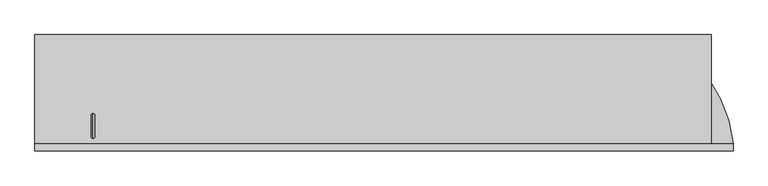
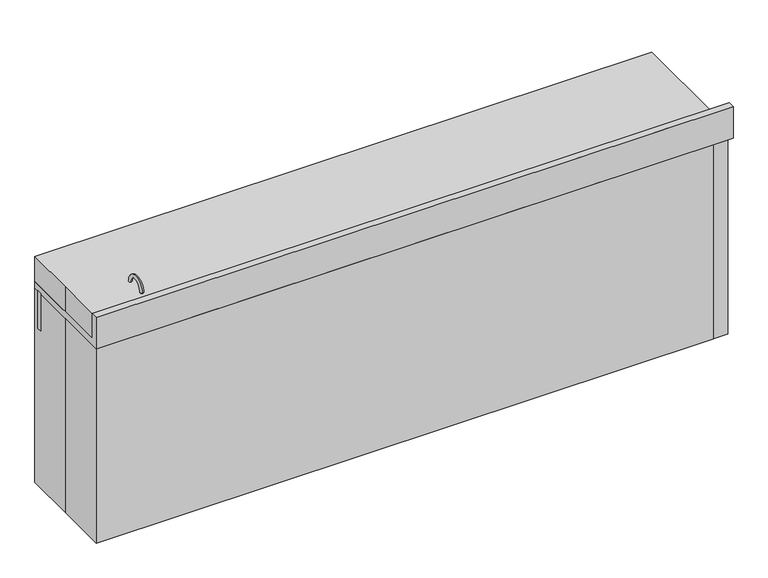
"""IFC4 building model written with IfcOpenShell, lengths in millimetres: proxy geometry."""

from ifc_helpers import new_model, si_unit, point, frame, frame_2d, origin, origin_with_axes, place, context, project, spatial, polyline, circle_curve, ellipse_curve, trimmed, segment, composite_curve, outline, extrude, source, transform, mapped, element, save
from ifc_brep_helpers import plane_surface, cylinder_surface, revolved_surface, advanced_brep


def specialty_equipment_bc5c30ac(model_context):
    return source(origin(), model_context, "Body", "SolidModel", [
        advanced_brep(
        [(-1014.0443585, 165.0080446, 787.3899582), (-1014.0443585, 153.8955446, 787.3899582), (-1014.0443585, -128.6794554, 787.3899582), (-1014.0443585, -139.7919554, 787.3899582), (-1014.0443585, 152.3080446, 785.8024582), (-1014.0443585, -127.0919554, 785.8024582), (-1014.0443585, 152.3080446, 730.25), (-1014.0443585, -127.0919554, 730.25), (-1014.0443585, 101.5080446, 679.45), (-1014.0443585, 25.2053012, 679.45), (-1003.5461263, 12.6976148, 679.45), (-1014.0443585, 0.1899284, 679.45), (-1014.0443585, -76.2919554, 679.45), (-1028.9461263, 12.6976148, 679.45), (-1014.0443585, 158.6580446, 676.275), (-1014.0443585, 158.6580446, 784.0168572), (-1014.0443585, -133.4419554, 784.0168572), (-1014.0443585, -133.4419554, 676.275), (-1014.0443585, 165.0080446, 784.0168572), (-1014.0443585, -139.7919554, 784.0168572), (-1014.0443585, 0.1899284, 676.275), (-1003.5461263, 12.6976148, 676.275), (-1014.0443585, 25.2053012, 676.275), (-1028.9461263, 12.6976148, 676.275)],
        [
            (0, 1),
            (1, 2, circle_curve(frame((-1014.0443585, 12.6080446, 787.3899582), z_axis=(0.0, 0.0, -1.0), x_axis=(0.0, -1.0, 0.0)), 141.2875)),
            (2, 3),
            (3, 0, circle_curve(frame((-1014.0443585, 12.6080446, 787.3899582), z_axis=(0.0, 0.0, 1.0), x_axis=(0.0, -1.0, 0.0)), 152.4)),
            (2, 1, circle_curve(frame((-1014.0443585, 12.6080446, 787.3899582), z_axis=(0.0, 0.0, -1.0), x_axis=(0.0, -1.0, 0.0)), 141.2875)),
            (0, 3, circle_curve(frame((-1014.0443585, 12.6080446, 787.3899582), z_axis=(0.0, 0.0, 1.0), x_axis=(0.0, -1.0, 0.0)), 152.4)),
            (1, 4, circle_curve(frame((-1014.0443585, 153.8955446, 785.8024582), z_axis=(1.0, 0.0, 0.0), x_axis=(0.0, 1.0, 0.0)), 1.5875)),
            (4, 5, circle_curve(frame((-1014.0443585, 12.6080446, 785.8024582), z_axis=(0.0, 0.0, -1.0), x_axis=(0.0, -1.0, 0.0)), 139.7)),
            (5, 2, circle_curve(frame((-1014.0443585, -128.6794554, 785.8024582), z_axis=(1.0, 0.0, 0.0), x_axis=(0.0, -1.0, 0.0)), 1.5875)),
            (5, 4, circle_curve(frame((-1014.0443585, 12.6080446, 785.8024582), z_axis=(0.0, 0.0, -1.0), x_axis=(0.0, -1.0, 0.0)), 139.7)),
            (4, 6),
            (6, 7, circle_curve(frame((-1014.0443585, 12.6080446, 730.25), z_axis=(0.0, 0.0, -1.0), x_axis=(0.0, -1.0, 0.0)), 139.7)),
            (7, 5),
            (7, 6, circle_curve(frame((-1014.0443585, 12.6080446, 730.25), z_axis=(0.0, 0.0, -1.0), x_axis=(0.0, -1.0, 0.0)), 139.7)),
            (8, 9),
            (9, 10, circle_curve(frame((-1016.2461263, 12.6976148, 679.45), z_axis=(0.0, 0.0, -1.0), x_axis=(-1.0, 0.0, 0.0)), 12.7)),
            (10, 11, circle_curve(frame((-1016.2461263, 12.6976148, 679.45), z_axis=(0.0, 0.0, -1.0), x_axis=(-1.0, 0.0, 0.0)), 12.7)),
            (11, 12),
            (12, 8, circle_curve(frame((-1014.0443585, 12.6080446, 679.45), z_axis=(0.0, 0.0, 1.0), x_axis=(0.0, -1.0, 0.0)), 88.9)),
            (11, 13, circle_curve(frame((-1016.2461263, 12.6976148, 679.45), z_axis=(0.0, 0.0, -1.0), x_axis=(-1.0, 0.0, 0.0)), 12.7)),
            (13, 9, circle_curve(frame((-1016.2461263, 12.6976148, 679.45), z_axis=(0.0, 0.0, -1.0), x_axis=(-1.0, 0.0, 0.0)), 12.7)),
            (8, 12, circle_curve(frame((-1014.0443585, 12.6080446, 679.45), z_axis=(0.0, 0.0, 1.0), x_axis=(0.0, -1.0, 0.0)), 88.9)),
            (14, 15),
            (15, 16, circle_curve(frame((-1014.0443585, 12.6080446, 784.0168572), z_axis=(0.0, 0.0, -1.0), x_axis=(0.0, -1.0, 0.0)), 146.05)),
            (16, 17),
            (17, 14, circle_curve(frame((-1014.0443585, 12.6080446, 676.275), z_axis=(0.0, 0.0, 1.0), x_axis=(0.0, -1.0, 0.0)), 146.05)),
            (16, 15, circle_curve(frame((-1014.0443585, 12.6080446, 784.0168572), z_axis=(0.0, 0.0, -1.0), x_axis=(0.0, -1.0, 0.0)), 146.05)),
            (14, 17, circle_curve(frame((-1014.0443585, 12.6080446, 676.275), z_axis=(0.0, 0.0, 1.0), x_axis=(0.0, -1.0, 0.0)), 146.05)),
            (15, 18),
            (18, 19, circle_curve(frame((-1014.0443585, 12.6080446, 784.0168572), z_axis=(0.0, 0.0, -1.0), x_axis=(0.0, -1.0, 0.0)), 152.4)),
            (19, 16),
            (19, 18, circle_curve(frame((-1014.0443585, 12.6080446, 784.0168572), z_axis=(0.0, 0.0, -1.0), x_axis=(0.0, -1.0, 0.0)), 152.4)),
            (3, 19),
            (18, 0),
            (17, 20),
            (20, 21, circle_curve(frame((-1016.2461263, 12.6976148, 676.275), z_axis=(0.0, 0.0, 1.0), x_axis=(-1.0, 0.0, 0.0)), 12.7)),
            (21, 22, circle_curve(frame((-1016.2461263, 12.6976148, 676.275), z_axis=(0.0, 0.0, 1.0), x_axis=(-1.0, 0.0, 0.0)), 12.7)),
            (22, 14),
            (22, 23, circle_curve(frame((-1016.2461263, 12.6976148, 676.275), z_axis=(0.0, 0.0, 1.0), x_axis=(-1.0, 0.0, 0.0)), 12.7)),
            (23, 20, circle_curve(frame((-1016.2461263, 12.6976148, 676.275), z_axis=(0.0, 0.0, 1.0), x_axis=(-1.0, 0.0, 0.0)), 12.7)),
            (6, 8, circle_curve(frame((-1014.0443585, 101.5080446, 730.25), z_axis=(-1.0, 0.0, 0.0), x_axis=(0.0, 1.0, 0.0)), 50.8)),
            (12, 7, circle_curve(frame((-1014.0443585, -76.2919554, 730.25), z_axis=(-1.0, 0.0, 0.0), x_axis=(0.0, -1.0, 0.0)), 50.8)),
            (21, 10),
            (13, 23),
        ],
        [
            plane_surface(frame((-1014.0443585, 12.6080446, 787.3899582), z_axis=(0.0, 0.0, 1.0), x_axis=(0.0, -1.0, 0.0))),
            revolved_surface(trimmed(ellipse_curve(frame((-1014.0443585, -128.6794554, 785.8024582), z_axis=(1.0, 0.0, 0.0), x_axis=(0.0, -1.0, 0.0)), 1.5875, 1.5875), [point((-1014.0443585, -127.0919554, 785.8024582))], [point((-1014.0443585, -128.6794554, 787.3899582))], True, "CARTESIAN"), (-1014.0443585, 12.6080446, 787.4), (0.0, 0.0, -1.0)),
            revolved_surface(polyline([(-1014.0443585, -127.09195539999999, 730.25), (-1014.0443585, -127.09195539999999, 785.8024582)]), (-1014.0443585, 12.6080446, 787.4), (0.0, 0.0, -1.0)),
            plane_surface(frame((-1014.0443585, 12.6080446, 679.45), z_axis=(0.0, 0.0, 1.0), x_axis=(0.0, -1.0, 0.0))),
            cylinder_surface(frame((-1014.0443585, 12.6080446, 787.4), z_axis=(0.0, 0.0, -1.0), x_axis=(0.0, -1.0, 0.0)), 146.05),
            plane_surface(frame((-1014.0443585, 12.6080446, 784.0168572), z_axis=(0.0, 0.0, -1.0), x_axis=(0.0, -1.0, 0.0))),
            cylinder_surface(frame((-1014.0443585, 12.6080446, 787.4), z_axis=(0.0, 0.0, -1.0), x_axis=(0.0, -1.0, 0.0)), 152.4),
            plane_surface(frame((-1014.0443585, 12.6080446, 676.275), z_axis=(0.0, 0.0, -1.0), x_axis=(0.0, -1.0, 0.0))),
            revolved_surface(trimmed(ellipse_curve(frame((-1014.0443585, -76.2919554, 730.25), z_axis=(-1.0, 0.0, 0.0), x_axis=(0.0, -1.0, 0.0)), 50.8, 50.8), [point((-1014.0443585, -76.2919554, 679.45))], [point((-1014.0443585, -127.0919554, 730.25))], True, "CARTESIAN"), (-1014.0443585, 12.6080446, 787.4), (0.0, 0.0, -1.0)),
            revolved_surface(polyline([(-1028.9461263, 12.6976148, 679.45), (-1028.9461263, 12.6976148, 676.275)]), (-1016.2461263, 12.6976148, 673.1), (0.0, 0.0, 1.0)),
        ],
        [
            (0, [[1, 2, 3, 4]]),
            (0, [[5, -1, 6, -3]]),
            (1, [[7, 8, 9, -2]]),
            (1, [[-9, 10, -7, -5]]),
            (2, [[11, 12, 13, -8]]),
            (2, [[-13, 14, -11, -10]]),
            (3, [[15, 16, 17, 18, 19]]),
            (3, [[-18, 20, 21, -15, 22]]),
            (4, [[23, 24, 25, 26]]),
            (4, [[27, -23, 28, -25]]),
            (5, [[29, 30, 31, -24]]),
            (5, [[-31, 32, -29, -27]]),
            (6, [[33, -30, 34, -4]]),
            (6, [[-34, -32, -33, -6]]),
            (7, [[35, 36, 37, 38, -26]]),
            (7, [[-38, 39, 40, -35, -28]]),
            (8, [[41, -19, 42, -12]]),
            (8, [[-42, -22, -41, -14]]),
            (9, [[-39, -37, 43, -16, -21, 44]]),
            (9, [[-20, -17, -43, -36, -40, -44]]),
        ],
    ),
        extrude(outline(polyline([(-1219.2, 184.15), (-850.9, 184.15), (-850.9, 165.1), (-1219.2, 165.1), (-1219.2, 184.15)])), frame((0.0, 0.0, 635.0), z_axis=(0.0, 0.0, 1.0), x_axis=(1.0, 0.0, 0.0)), (0.0, 0.0, 1.0), 152.4),
        extrude(outline(polyline([(184.15, 101.6), (184.15, 787.2846899), (193.675, 787.2846899), (193.675, 774.4822891), (203.2, 774.4822891), (203.2, 101.6), (184.15, 101.6)])), frame((584.2, 0.0, 0.0), z_axis=(1.0, 0.0, 0.0), x_axis=(0.0, 1.0, 0.0)), (0.0, 0.0, 1.0), 355.6),
        extrude(outline(polyline([(184.15, 101.6), (184.15, 787.4), (193.675, 787.4), (193.675, 774.7), (203.2, 774.7), (203.2, 101.6), (184.15, 101.6)])), frame((228.6, 0.0, 0.0), z_axis=(1.0, 0.0, 0.0), x_axis=(0.0, 1.0, 0.0)), (0.0, 0.0, 1.0), 355.6),
        extrude(outline(polyline([(184.15, 101.6), (184.15, 787.4), (193.675, 787.4), (193.675, 774.7), (203.2, 774.7), (203.2, 101.6), (184.15, 101.6)])), frame((-127.0, 0.0, 0.0), z_axis=(1.0, 0.0, 0.0), x_axis=(0.0, 1.0, 0.0)), (0.0, 0.0, 1.0), 355.6),
        extrude(outline(polyline([(193.675, 774.7), (203.2, 774.7), (203.2, 635.0), (184.15, 635.0), (184.15, 787.4), (193.675, 787.4), (193.675, 774.7)])), frame((-482.6, 0.0, 0.0), z_axis=(1.0, 0.0, 0.0), x_axis=(0.0, 1.0, 0.0)), (0.0, 0.0, 1.0), 355.6),
        extrude(outline(polyline([(193.675, 622.9156171), (203.2, 622.9156171), (203.2, 508.0524006), (184.15, 508.0524006), (184.15, 635.0), (193.675, 635.0), (193.675, 622.9156171)])), frame((-482.6, 0.0, 0.0), z_axis=(1.0, 0.0, 0.0), x_axis=(0.0, 1.0, 0.0)), (0.0, 0.0, 1.0), 355.6),
        extrude(outline(polyline([(193.675, 495.2120809), (203.2, 495.2120809), (203.2, 101.6), (184.15, 101.6), (184.15, 508.0517033), (193.675, 508.0517033), (193.675, 495.2120809)])), frame((-482.6, 0.0, 0.0), z_axis=(1.0, 0.0, 0.0), x_axis=(0.0, 1.0, 0.0)), (0.0, 0.0, 1.0), 355.6),
        extrude(outline(composite_curve([segment(trimmed(circle_curve(frame_2d((-1053.7479232, -156.0133962)), 12.7), [point((-1041.0479232, -156.0133962))], [point((-1066.4479232, -156.0133962))], False, "CARTESIAN"), True, "CONTINUOUS"), segment(trimmed(circle_curve(frame_2d((-1053.7479232, -156.0133962)), 12.7), [point((-1066.4479232, -156.0133962))], [point((-1041.0479232, -156.0133962))], False, "CARTESIAN"), True, "CONTINUOUS")], self_intersect=False)), frame((0.0, 0.0, 812.8), z_axis=(0.0, 0.0, 1.0), x_axis=(1.0, 0.0, 0.0)), (0.0, 0.0, 1.0), 31.75),
        extrude(outline(composite_curve([segment(trimmed(circle_curve(frame_2d((-980.5384765, -156.0133962)), 12.7), [point((-967.8384765, -156.0133962))], [point((-993.2384765, -156.0133962))], False, "CARTESIAN"), True, "CONTINUOUS"), segment(trimmed(circle_curve(frame_2d((-980.5384765, -156.0133962)), 12.7), [point((-993.2384765, -156.0133962))], [point((-967.8384765, -156.0133962))], False, "CARTESIAN"), True, "CONTINUOUS")], self_intersect=False)), frame((0.0, 0.0, 812.8), z_axis=(0.0, 0.0, 1.0), x_axis=(1.0, 0.0, 0.0)), (0.0, 0.0, 1.0), 31.75),
        advanced_brep(
        [(-1016.415785, -148.0147812, 812.8), (-1016.415785, -160.7147812, 812.8), (-1016.415785, -148.0147812, 914.4), (-1016.415785, -160.7147812, 914.4), (-1016.415785, -84.5147812, 914.4), (-1016.415785, -71.8147812, 914.4)],
        [
            (0, 1, circle_curve(frame((-1016.415785, -154.3647812, 812.8), z_axis=(0.0, 0.0, -1.0), x_axis=(0.0, -1.0, 0.0)), 6.35)),
            (1, 0, circle_curve(frame((-1016.415785, -154.3647812, 812.8), z_axis=(0.0, 0.0, -1.0), x_axis=(0.0, -1.0, 0.0)), 6.35)),
            (0, 2),
            (2, 3, circle_curve(frame((-1016.415785, -154.3647812, 914.4), z_axis=(0.0, 0.0, -1.0), x_axis=(0.0, -1.0, 0.0)), 6.35)),
            (3, 1),
            (3, 2, circle_curve(frame((-1016.415785, -154.3647812, 914.4), z_axis=(0.0, 0.0, -1.0), x_axis=(0.0, -1.0, 0.0)), 6.35)),
            (4, 5, circle_curve(frame((-1016.415785, -78.1647812, 914.4), z_axis=(0.0, 0.0, -1.0), x_axis=(0.0, 1.0, 0.0)), 6.35)),
            (5, 4, circle_curve(frame((-1016.415785, -78.1647812, 914.4), z_axis=(0.0, 0.0, -1.0), x_axis=(0.0, 1.0, 0.0)), 6.35)),
            (5, 3, circle_curve(frame((-1016.415785, -116.2647812, 914.4), z_axis=(1.0, 0.0, 0.0), x_axis=(0.0, -1.0, 0.0)), 44.45)),
            (2, 4, circle_curve(frame((-1016.415785, -116.2647812, 914.4), z_axis=(-1.0, 0.0, 0.0), x_axis=(0.0, -1.0, 0.0)), 31.75)),
        ],
        [
            plane_surface(frame((-1104.9, -154.3647812, 812.8), z_axis=(0.0, 0.0, -1.0), x_axis=(-1.0, 0.0, 0.0))),
            cylinder_surface(frame((-1016.415785, -154.3647812, 812.8), z_axis=(0.0, 0.0, -1.0), x_axis=(0.0, -1.0, 0.0)), 6.35),
            plane_surface(frame((-1104.9, -78.1647812, 914.4), z_axis=(0.0, 0.0, -1.0), x_axis=(-1.0, 0.0, 0.0))),
            revolved_surface(trimmed(ellipse_curve(frame((-1016.415785, -154.3647812, 914.4), z_axis=(0.0, 0.0, 1.0), x_axis=(0.0, -1.0, 0.0)), 6.35, 6.35), [point((-1016.415785, -160.7147812, 914.4))], [point((-1016.415785, -148.0147812, 914.4))], True, "CARTESIAN"), (-1104.9, -116.2647812, 914.4), (1.0, 0.0, 0.0)),
            revolved_surface(trimmed(ellipse_curve(frame((-1016.415785, -154.3647812, 914.4), z_axis=(0.0, 0.0, 1.0), x_axis=(0.0, -1.0, 0.0)), 6.35, 6.35), [point((-1016.415785, -148.0147812, 914.4))], [point((-1016.415785, -160.7147812, 914.4))], True, "CARTESIAN"), (-1104.9, -116.2647812, 914.4), (1.0, 0.0, 0.0)),
        ],
        [
            (0, [[1, 2]]),
            (1, [[3, 4, 5, -1]]),
            (1, [[-5, 6, -3, -2]]),
            (2, [[7, 8]]),
            (3, [[-8, 9, -4, 10]]),
            (4, [[-7, -10, -6, -9]]),
        ],
    ),
        extrude(outline(polyline([(193.675, 774.7), (203.2, 774.7), (203.2, 635.0), (184.15, 635.0), (184.15, 787.4), (193.675, 787.4), (193.675, 774.7)])), frame((-838.2, 0.0, 0.0), z_axis=(1.0, 0.0, 0.0), x_axis=(0.0, 1.0, 0.0)), (0.0, 0.0, 1.0), 355.6),
        extrude(outline(polyline([(193.675, 622.9156171), (203.2, 622.9156171), (203.2, 508.0), (184.15, 508.0), (184.15, 635.0), (193.675, 635.0), (193.675, 622.9156171)])), frame((-838.2, 0.0, 0.0), z_axis=(1.0, 0.0, 0.0), x_axis=(0.0, 1.0, 0.0)), (0.0, 0.0, 1.0), 355.6),
        extrude(outline(polyline([(193.675, 495.3), (203.2, 495.3), (203.2, 406.4), (184.15, 406.4), (184.15, 508.0), (193.675, 508.0), (193.675, 495.3)])), frame((-838.2, 0.0, 0.0), z_axis=(1.0, 0.0, 0.0), x_axis=(0.0, 1.0, 0.0)), (0.0, 0.0, 1.0), 355.6),
        extrude(outline(polyline([(193.675, 393.7), (203.2, 393.7), (203.2, 304.8), (184.15, 304.8), (184.15, 406.4), (193.675, 406.4), (193.675, 393.7)])), frame((-838.2, 0.0, 0.0), z_axis=(1.0, 0.0, 0.0), x_axis=(0.0, 1.0, 0.0)), (0.0, 0.0, 1.0), 355.6),
        extrude(outline(polyline([(193.675, 292.1), (203.2, 292.1), (203.2, 101.6), (184.15, 101.6), (184.15, 304.8), (193.675, 304.8), (193.675, 292.1)])), frame((-838.2, 0.0, 0.0), z_axis=(1.0, 0.0, 0.0), x_axis=(0.0, 1.0, 0.0)), (0.0, 0.0, 1.0), 355.6),
        advanced_brep(
        [(-1219.2, -177.8, 914.4), (-1219.2, -177.8, 812.8), (-1219.2, 203.2, 812.8), (-1219.2, 203.2, 787.4), (-1219.2, -203.2, 787.4), (-1219.2, -203.2, 914.4), (1219.2, -177.8, 914.4), (1219.2, -177.8, 863.6), (1219.2, -177.8, 812.8), (939.8, 203.2, 812.8), (-874.2071906, 12.5959993, 812.8), (-1153.6071906, 12.5959993, 812.8), (939.8, 203.2, 787.4), (1219.2, -177.8, 787.4), (1219.2, -203.2, 787.4), (-1153.6071906, 12.5959993, 787.4), (-874.2071906, 12.5959993, 787.4), (1219.2, -203.2, 914.4)],
        [
            (0, 1),
            (1, 2),
            (2, 3),
            (3, 4),
            (4, 5),
            (5, 0),
            (0, 6),
            (6, 7),
            (7, 8),
            (8, 1),
            (8, 9, circle_curve(frame((763.8405952, -218.7835635, 812.8), z_axis=(0.0, 0.0, 1.0), x_axis=(1.0, 0.0, 0.0)), 457.2)),
            (9, 2),
            (10, 11, circle_curve(frame((-1013.9071906, 12.5959993, 812.8), z_axis=(0.0, 0.0, -1.0), x_axis=(-1.0, 0.0, 0.0)), 139.7)),
            (11, 10, circle_curve(frame((-1013.9071906, 12.5959993, 812.8), z_axis=(0.0, 0.0, -1.0), x_axis=(-1.0, 0.0, 0.0)), 139.7)),
            (9, 12),
            (12, 3),
            (12, 13, circle_curve(frame((763.8405952, -218.7835635, 787.4), z_axis=(0.0, 0.0, -1.0), x_axis=(1.0, 0.0, 0.0)), 457.2)),
            (13, 14),
            (14, 4),
            (15, 16, circle_curve(frame((-1013.9071906, 12.5959993, 787.4), z_axis=(0.0, 0.0, 1.0), x_axis=(-1.0, 0.0, 0.0)), 139.7)),
            (16, 15, circle_curve(frame((-1013.9071906, 12.5959993, 787.4), z_axis=(0.0, 0.0, 1.0), x_axis=(-1.0, 0.0, 0.0)), 139.7)),
            (17, 5),
            (14, 17),
            (17, 6),
            (16, 10),
            (11, 15),
            (13, 8),
        ],
        [
            plane_surface(frame((-1219.2, -177.8, 812.8), z_axis=(-1.0, 0.0, 0.0), x_axis=(0.0, 0.0, 1.0))),
            plane_surface(frame((1219.2, -177.8, 914.4), z_axis=(0.0, 1.0, 0.0), x_axis=(-1.0, 0.0, 0.0))),
            plane_surface(frame((1219.2, -177.8, 812.8), z_axis=(0.0, 0.0, 1.0), x_axis=(-1.0, 0.0, 0.0))),
            plane_surface(frame((1219.2, 203.2, 812.8), z_axis=(0.0, 1.0, 0.0), x_axis=(-1.0, 0.0, 0.0))),
            plane_surface(frame((1219.2, 203.2, 787.4), z_axis=(0.0, 0.0, -1.0), x_axis=(-1.0, 0.0, 0.0))),
            plane_surface(frame((1219.2, -203.2, 787.4), z_axis=(0.0, -1.0, 0.0), x_axis=(-1.0, 0.0, 0.0))),
            plane_surface(frame((1219.2, -203.2, 914.4), z_axis=(0.0, 0.0, 1.0), x_axis=(-1.0, 0.0, 0.0))),
            revolved_surface(polyline([(-1153.6071906, 12.5959993, 812.8), (-1153.6071906, 12.5959993, 787.4)]), (-1013.9071906, 12.5959993, 768.35), (0.0, 0.0, 1.0)),
            plane_surface(frame((1219.2, -177.8, 812.8), z_axis=(1.0, 0.0, 0.0), x_axis=(0.0, 0.0, -1.0))),
            cylinder_surface(frame((763.8405952, -218.7835635, 736.6), z_axis=(0.0, 0.0, -1.0), x_axis=(1.0, 0.0, 0.0)), 457.2),
        ],
        [
            (0, [[1, 2, 3, 4, 5, 6]]),
            (1, [[7, 8, 9, 10, -1]]),
            (2, [[-10, 11, 12, -2], [13, 14]]),
            (3, [[-12, 15, 16, -3]]),
            (4, [[-16, 17, 18, 19, -4], [20, 21]]),
            (5, [[22, -5, -19, 23]]),
            (6, [[-7, -6, -22, 24]]),
            (7, [[-21, 25, -14, 26]]),
            (7, [[-13, -25, -20, -26]]),
            (8, [[-18, 27, -9, -8, -24, -23]]),
            (9, [[-17, -15, -11, -27]]),
        ],
    ),
        extrude(outline(polyline([(-1219.2, -203.2), (-1219.2, 0.0), (-1219.2, 203.2), (1143.0, 203.2), (1143.0, -203.2), (-1219.2, -203.2)])), origin_with_axes(), (0.0, 0.0, 1.0), 914.4),
        extrude(outline(polyline([(-184.15, 785.890324), (184.15, 785.890324), (184.15, 101.6), (165.1, 101.6), (165.1, 0.0), (-184.15, 0.0), (-184.15, 785.890324)])), frame((939.8, 0.0, 0.0), z_axis=(1.0, 0.0, 0.0), x_axis=(0.0, 1.0, 0.0)), (0.0, 0.0, 1.0), 12.7),
        extrude(outline(polyline([(1199.3554733, -184.15), (1199.3554733, -203.2), (-850.9, -203.2), (-850.9, -184.15), (1199.3554733, -184.15)])), origin_with_axes(), (0.0, 0.0, 1.0), 787.6898809),
        extrude(outline(polyline([(-117.475, -184.15), (-136.525, -184.15), (-136.525, 184.15), (-117.475, 184.15), (-117.475, -184.15)])), frame((0.0, 0.0, 120.7166954), z_axis=(0.0, 0.0, 1.0), x_axis=(1.0, 0.0, 0.0)), (0.0, 0.0, 1.0), 653.9833046),
        extrude(outline(polyline([(-184.15, 787.4), (184.15, 787.4), (184.15, 101.6), (165.1, 101.6), (165.1, 0.0), (-184.15, 0.0), (-184.15, 787.4)])), frame((-850.9, 0.0, 0.0), z_axis=(1.0, 0.0, 0.0), x_axis=(0.0, 1.0, 0.0)), (0.0, 0.0, 1.0), 12.7),
        extrude(outline(polyline([(-473.075, -184.15), (-492.125, -184.15), (-492.125, 184.15), (-473.075, 184.15), (-473.075, -184.15)])), frame((0.0, 0.0, 120.7166954), z_axis=(0.0, 0.0, 1.0), x_axis=(1.0, 0.0, 0.0)), (0.0, 0.0, 1.0), 666.6833046),
        extrude(outline(polyline([(952.5, 184.15), (952.5, 165.1), (-850.9, 165.1), (-850.9, 184.15), (952.5, 184.15)])), origin_with_axes(), (0.0, 0.0, 1.0), 101.6),
        extrude(outline(polyline([(-838.2, -184.15), (-838.2, 184.15), (939.8, 184.15), (939.8, -184.15), (-838.2, -184.15)])), frame((0.0, 0.0, 101.6), z_axis=(0.0, 0.0, 1.0), x_axis=(1.0, 0.0, 0.0)), (0.0, 0.0, 1.0), 19.1166954),
    ])


if __name__ == "__main__":
    model = new_model("IFC4")
    model_context = context("Model", 3, world=origin())
    ifc_project = project(units=[si_unit("LENGTHUNIT", "METRE", prefix="MILLI")], contexts=[model_context])
    site = spatial("IfcSite", under=ifc_project)
    building = spatial("IfcBuilding", under=site)
    placement = place(None, origin())
    specialty_equipment_shape = specialty_equipment_bc5c30ac(model_context)
    element("IfcBuildingElementProxy", 1, Name="Specialty Equipment", at=placement, inside=building, context=model_context, shape_type="MappedRepresentation", body=[
        mapped(specialty_equipment_shape, transform((0.0, 0.0, 0.0), x_axis=(1.0, 0.0, 0.0), y_axis=(0.0, 1.0, 0.0), z_axis=(0.0, 0.0, 1.0))),
    ])
    save(model, "model.ifc")
